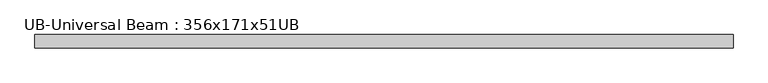
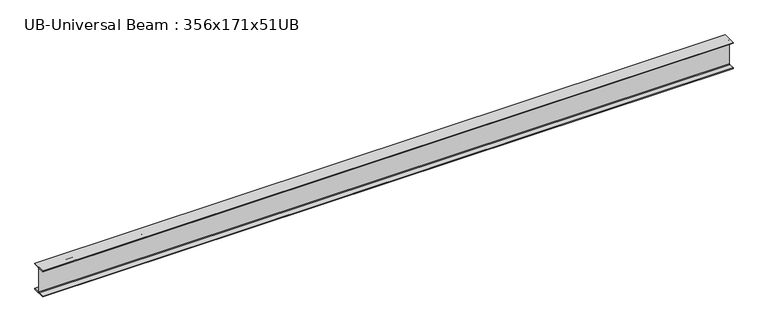
"""IFC4 building model written with IfcOpenShell, lengths in millimetres: beam geometry, UB-Universal Beam : 356x171x51UB."""

from ifc_helpers import new_model, si_unit, point, frame, frame_2d, origin, place, context, project, spatial, polyline, circle_curve, trimmed, segment, composite_curve, outline, extrude, source, transform, mapped, element, save


def ub_universal_beam_356x171x51ub_24c88b07(model_context):
    return source(origin(), model_context, "Body", "SweptSolid", [
        extrude(outline(composite_curve([segment(polyline([(85.75, -166.0), (85.75, -177.5), (-85.75, -177.5), (-85.75, -166.0), (-13.9, -166.0)]), True, "CONTINUOUS"), segment(trimmed(circle_curve(frame_2d((-13.9, -155.8)), 10.2), [point((-13.9, -166.0))], [point((-3.7, -155.8))], True, "CARTESIAN"), True, "CONTINUOUS"), segment(polyline([(-3.7, -155.8), (-3.7, 155.8)]), True, "CONTINUOUS"), segment(trimmed(circle_curve(frame_2d((-13.9, 155.8)), 10.2), [point((-3.7, 155.8))], [point((-13.9, 166.0))], True, "CARTESIAN"), True, "CONTINUOUS"), segment(polyline([(-13.9, 166.0), (-85.75, 166.0), (-85.75, 177.5), (85.75, 177.5), (85.75, 166.0), (13.9, 166.0)]), True, "CONTINUOUS"), segment(trimmed(circle_curve(frame_2d((13.9, 155.8)), 10.2), [point((13.9, 166.0))], [point((3.7, 155.8))], True, "CARTESIAN"), True, "CONTINUOUS"), segment(polyline([(3.7, 155.8), (3.7, -155.8)]), True, "CONTINUOUS"), segment(trimmed(circle_curve(frame_2d((13.9, -155.8)), 10.2), [point((3.7, -155.8))], [point((13.9, -166.0))], True, "CARTESIAN"), True, "CONTINUOUS"), segment(polyline([(13.9, -166.0), (85.75, -166.0)]), True, "CONTINUOUS")], self_intersect=False)), frame((-4490.0, 0.0, 0.0), z_axis=(1.0, 0.0, 0.0), x_axis=(0.0, 1.0, 0.0)), (0.0, 0.0, 1.0), 8835.3),
    ])


if __name__ == "__main__":
    model = new_model("IFC4")
    model_context = context("Model", 3, world=origin())
    ifc_project = project(units=[si_unit("LENGTHUNIT", "METRE", prefix="MILLI")], contexts=[model_context])
    site = spatial("IfcSite", under=ifc_project)
    building = spatial("IfcBuilding", under=site)
    placement = place(None, origin())
    ub_universal_beam_356x171x51ub_shape = ub_universal_beam_356x171x51ub_24c88b07(model_context)
    element("IfcBeam", 1, ObjectType="UB-Universal Beam : 356x171x51UB", at=placement, inside=building, context=model_context, shape_type="MappedRepresentation", body=[
        mapped(ub_universal_beam_356x171x51ub_shape, transform((0.0, 0.0, 0.0), x_axis=(1.0, 0.0, 0.0), y_axis=(0.0, 1.0, 0.0), z_axis=(0.0, 0.0, 1.0))),
    ])
    save(model, "model.ifc")
